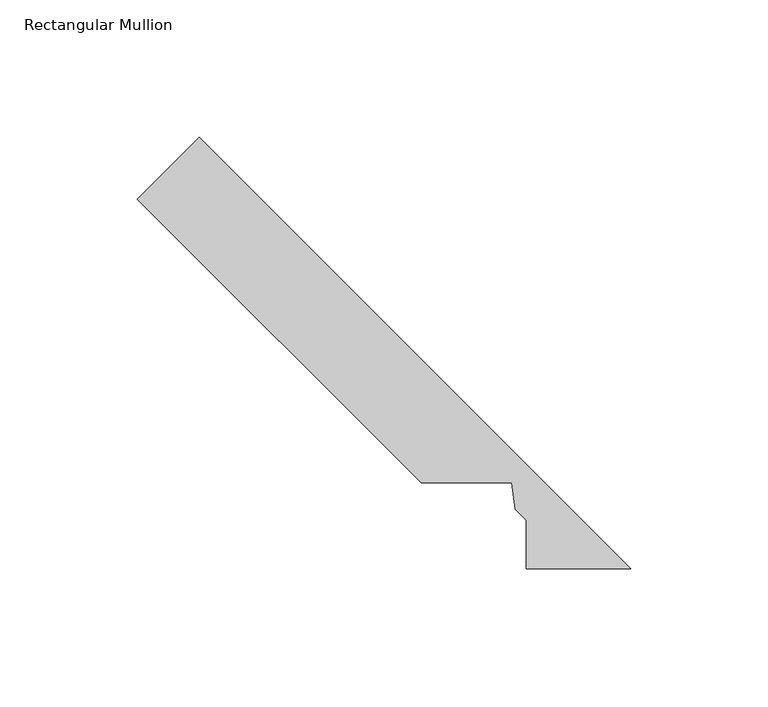
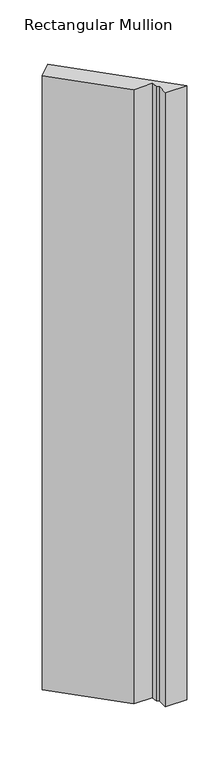
"""IFC4 building model written with IfcOpenShell, lengths in millimetres: member geometry, Rectangular Mullion."""

from ifc_helpers import new_model, si_unit, frame, origin, place, context, project, spatial, polyline, outline, extrude, source, transform, mapped, element, save


def rectangular_mullion_81ef7c49(model_context):
    return source(origin(), model_context, "Body", "SweptSolid", [
        extrude(outline(polyline([(-199.5040807, 154.6028001), (-177.0534404, 177.0534404), (-20.0421875, 20.0421875), (-58.0930196, 20.0421875), (-58.0930196, 37.6714196), (-62.0986242, 41.6770242), (-63.276004, 51.3118941), (-96.2131748, 51.3118941), (-199.5040807, 154.6028001)])), frame((0.0, 0.0, -1155.7), z_axis=(0.0, 0.0, 1.0), x_axis=(1.0, 0.0, 0.0)), (0.0, 0.0, 1.0), 1155.7),
    ])


if __name__ == "__main__":
    model = new_model("IFC4")
    model_context = context("Model", 3, world=origin())
    ifc_project = project(units=[si_unit("LENGTHUNIT", "METRE", prefix="MILLI")], contexts=[model_context])
    site = spatial("IfcSite", under=ifc_project)
    building = spatial("IfcBuilding", under=site)
    placement = place(None, origin())
    rectangular_mullion_shape = rectangular_mullion_81ef7c49(model_context)
    element("IfcMember", 1, ObjectType="Rectangular Mullion", at=placement, inside=building, context=model_context, shape_type="MappedRepresentation", body=[
        mapped(rectangular_mullion_shape, transform((0.0, 0.0, 0.0), x_axis=(1.0, 0.0, 0.0), y_axis=(0.0, 1.0, 0.0), z_axis=(0.0, 0.0, 1.0))),
    ])
    save(model, "model.ifc")
